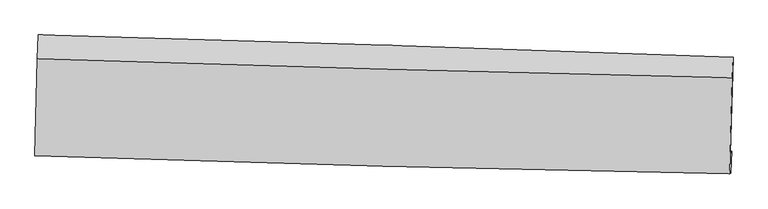
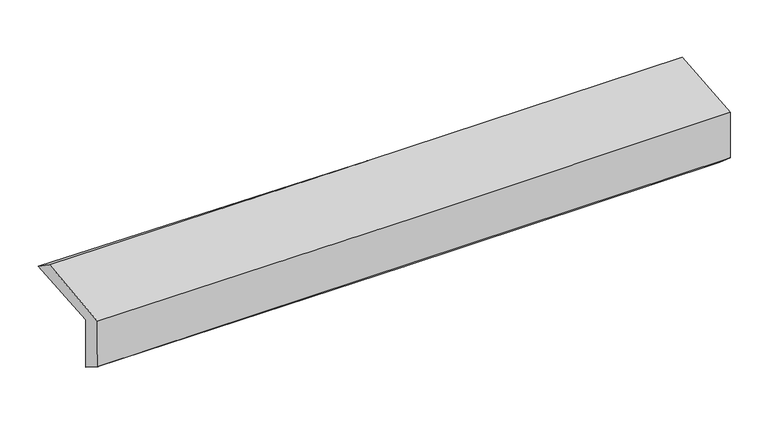
"""IFC4 building model written with IfcOpenShell, lengths in millimetres: proxy geometry."""

from ifc_helpers import new_model, si_unit, frame, origin, place, context, project, spatial, source, transform, mapped, element, save
from ifc_brep_helpers import plane_surface, spline_curve, spline_surface, advanced_brep


def generic_models_d9f898c4(model_context):
    return source(origin(), model_context, "Body", "AdvancedBrep", [
        advanced_brep(
        [(-2395.3528363, -1725.99093, 1995.8581718), (-2377.3079301, -1061.6037912, 2017.9836087), (2381.1545161, -1215.8435805, 2096.0137645), (2363.1978407, -1875.4567855, 2081.6021161), (-2388.128975, -1708.5873931, 1601.3691438), (2370.5142768, -1857.83022, 1682.0576581), (-2394.4646638, -1872.6624464, 1705.8831566), (2364.182809, -2007.90417, 1810.1661408), (-2401.4054522, -1889.3840113, 2084.9138062), (2357.6634511, -2014.1623089, 2181.4354433), (-2383.838056, -1226.6057954, 2132.3716395), (2375.1798898, -1354.3266018, 2221.959437)],
        [
            (0, 1),
            (1, 2, spline_curve(3, [(-2377.3079301, -1061.6037912, 2017.9836087), (-1580.612039203, -1083.01843052, 2021.533989238), (-784.062411353, -1106.642224822, 2029.858924172), (802.089302944, -1158.092254538, 2055.94843808), (1591.693823941, -1185.88172328, 2073.633555448), (2381.1545161, -1215.8435805, 2096.0137645)], [4, 2, 4], [0.0, 7.844087171718637, 15.622626504565874])),
            (2, 3),
            (3, 0, spline_curve(3, [(2363.1978407, -1875.4567855, 2081.6021161), (1573.722390837, -1847.87936821, 2055.370907536), (784.103169281, -1821.681618239, 2035.114778999), (-802.077956693, -1771.836316075, 2006.432338714), (-1598.642293956, -1748.212114574, 1998.107152648), (-2395.3528363, -1725.99093, 1995.8581718)], [4, 2, 4], [0.0, 7.778539332847237, 15.622626504565874])),
            (4, 0),
            (3, 5),
            (5, 4, spline_curve(3, [(2370.5142768, -1857.83022, 1682.0576581), (1581.114708533, -1830.069990988, 1651.682621292), (791.525936736, -1803.798881499, 1629.763643633), (-794.685278192, -1754.026069763, 1602.724357461), (-1591.310923979, -1730.549570513, 1597.747163897), (-2388.128975, -1708.5873931, 1601.3691438)], [4, 2, 4], [0.0, 7.778699600135377, 15.622948389675194])),
            (6, 4),
            (5, 7),
            (7, 6, spline_curve(3, [(2364.182809, -2007.90417, 1810.1661408), (1574.308818192, -1988.289700458, 1794.186635249), (784.481491204, -1967.265547649, 1777.545881455), (-801.735122913, -1922.20883133, 1742.796077827), (-1598.123619967, -1898.152409493, 1724.675836875), (-2394.4646638, -1872.6624464, 1705.8831566)], [4, 2, 4], [0.0, 7.778458722815757, 15.622464605221992])),
            (8, 6),
            (7, 9),
            (9, 8, spline_curve(3, [(2357.6634511, -2014.1623089, 2181.4354433), (1567.639650523, -1999.626213401, 2166.021277996), (777.702279303, -1982.016552012, 2150.305743275), (-808.655484635, -1940.475804715, 2118.136964812), (-1605.074414393, -1916.492700242, 2101.678620351), (-2401.4054522, -1889.3840113, 2084.9138062)], [4, 2, 4], [0.0, 7.778440771451543, 15.622428551221832])),
            (10, 8),
            (9, 11),
            (11, 10, spline_curve(3, [(2375.1798898, -1354.3266018, 2221.959437), (1585.164257133, -1337.866659433, 2210.039338868), (795.235197753, -1319.047883, 2196.65114913), (-791.105582627, -1276.51420308, 2166.81339664), (-1587.515838606, -1252.759377244, 2150.338987279), (-2383.838056, -1226.6057954, 2132.3716395)], [4, 2, 4], [0.0, 7.778355580379668, 15.62225745119386])),
            (1, 10),
            (11, 2),
        ],
        [
            spline_surface(3, 3, [[(-2395.3528363, -1725.99093, 1995.8581718), (-1598.642293861, -1748.212114454, 1998.107152588), (-802.077956571, -1771.836316131, 2006.432338804), (784.103169161, -1821.681618183, 2035.11477891), (1573.722390868, -1847.879368303, 2055.370907487), (2363.1978407, -1875.4567855, 2081.6021161)], [(-2389.337867572, -1504.52855041, 2003.233317438), (-1592.632209004, -1526.480886497, 2005.91609816), (-796.072774871, -1550.104952375, 2014.241200581), (790.098547111, -1600.485163651, 2042.059332015), (1579.712868546, -1627.213486651, 2061.458456778), (2369.183399141, -1655.585717155, 2086.405998906)], [(-2383.322898828, -1283.06617079, 2010.608463062), (-1586.622124133, -1304.749658509, 2013.725043719), (-790.067593146, -1328.373588574, 2022.050062303), (796.093925086, -1379.288709074, 2049.003885066), (1585.703346299, -1406.547605033, 2067.54600605), (2375.168957659, -1435.714648845, 2091.209881694)], [(-2377.3079301, -1061.6037912, 2017.9836087), (-1580.612039276, -1083.018430551, 2021.53398929), (-784.062411446, -1106.642224818, 2029.858924079), (802.089303036, -1158.092254542, 2055.948438172), (1591.693823977, -1185.881723381, 2073.633555341), (2381.1545161, -1215.8435805, 2096.0137645)]], [4, 4], [4, 2, 4], [0.0, 2.1817943321310413], [0.0, 7.844087171718637, 15.622626504565874]),
            spline_surface(3, 3, [[(-2388.128975, -1708.5873931, 1601.3691438), (-1591.310923851, -1730.549570395, 1597.747163806), (-794.685278266, -1754.026069834, 1602.724357468), (791.52593681, -1803.798881429, 1629.763643625), (1581.114708519, -1830.069990964, 1651.682621403), (2370.5142768, -1857.83022, 1682.0576581)], [(-2390.53692877, -1714.388572058, 1732.865486491), (-1593.754713857, -1736.437085073, 1731.200493424), (-797.149504357, -1759.962818589, 1737.29368456), (789.051680938, -1809.759793669, 1764.8806887), (1578.650602648, -1836.00645009, 1786.245383444), (2368.075464779, -1863.705741847, 1815.239144113)], [(-2392.94488253, -1720.189751042, 1864.361829109), (-1596.198503855, -1742.324599777, 1864.65382297), (-799.613730481, -1765.899567376, 1871.863011712), (786.577425032, -1815.720705943, 1899.997733835), (1576.18649674, -1841.942909177, 1920.808145446), (2365.636652721, -1869.581263653, 1948.420630087)], [(-2395.3528363, -1725.99093, 1995.8581718), (-1598.642293861, -1748.212114454, 1998.107152588), (-802.077956571, -1771.836316131, 2006.432338804), (784.103169161, -1821.681618183, 2035.11477891), (1573.722390868, -1847.879368303, 2055.370907487), (2363.1978407, -1875.4567855, 2081.6021161)]], [4, 4], [4, 2, 4], [0.0, 1.3286868427415914], [0.0, 7.844248789539817, 15.622948389675194]),
            spline_surface(3, 3, [[(-2394.4646638, -1872.6624464, 1705.8831566), (-1598.123620082, -1898.15240955, 1724.675836969), (-801.73512288, -1922.208831332, 1742.796077932), (784.481491172, -1967.265547647, 1777.545881351), (1574.30881819, -1988.289700416, 1794.186635139), (2364.182809, -2007.90417, 1810.1661408)], [(-2392.352767503, -1817.970761965, 1671.045152328), (-1595.852721308, -1842.284796497, 1682.366279243), (-799.385174671, -1866.147910852, 1696.105504456), (786.829639723, -1912.776658928, 1728.285135454), (1576.577448293, -1935.549797269, 1746.685297227), (2366.29329826, -1957.879520003, 1767.463313233)], [(-2390.240871297, -1763.279077535, 1636.207148072), (-1593.581822625, -1786.417183448, 1640.056721532), (-797.035226476, -1810.086990314, 1649.414930944), (789.177788259, -1858.287770148, 1679.024389522), (1578.846078417, -1882.809894111, 1699.183959315), (2368.40378754, -1907.854869997, 1724.760485667)], [(-2388.128975, -1708.5873931, 1601.3691438), (-1591.310923851, -1730.549570395, 1597.747163806), (-794.685278266, -1754.026069834, 1602.724357468), (791.52593681, -1803.798881429, 1629.763643625), (1581.114708519, -1830.069990964, 1651.682621403), (2370.5142768, -1857.83022, 1682.0576581)]], [4, 4], [4, 2, 4], [0.0, 0.7207366374229265], [0.0, 7.844005882406235, 15.622464605221992]),
            spline_surface(3, 3, [[(-2401.4054522, -1889.3840113, 2084.9138062), (-1605.074414383, -1916.492700318, 2101.678620424), (-808.6554846, -1940.475804742, 2118.136964799), (777.702279269, -1982.016551985, 2150.305743288), (1567.639650594, -1999.626213427, 2166.021277973), (2357.6634511, -2014.1623089, 2181.4354433)], [(-2399.091856088, -1883.810156331, 1958.570256312), (-1602.757482971, -1910.37927006, 1976.011025918), (-806.348697374, -1934.386813591, 1993.023335828), (779.962016556, -1977.099550525, 2026.052455961), (1569.862706465, -1995.847375746, 2042.076397012), (2359.836570406, -2012.076262589, 2057.679009117)], [(-2396.778259912, -1878.236301369, 1832.226706488), (-1600.440551494, -1904.265839808, 1850.343431475), (-804.041910107, -1928.297822482, 1867.909706903), (782.221753884, -1972.182549107, 1901.799168679), (1572.085762318, -1992.068538097, 1918.1315161), (2362.009689694, -2009.990216311, 1933.922574983)], [(-2394.4646638, -1872.6624464, 1705.8831566), (-1598.123620082, -1898.15240955, 1724.675836969), (-801.73512288, -1922.208831332, 1742.796077932), (784.481491172, -1967.265547647, 1777.545881351), (1574.30881819, -1988.289700416, 1794.186635139), (2364.182809, -2007.90417, 1810.1661408)]], [4, 4], [4, 2, 4], [0.0, 1.2286373389990468], [0.0, 7.843987779770289, 15.622428551221832]),
            spline_surface(3, 3, [[(-2383.838056, -1226.6057954, 2132.3716395), (-1587.515838626, -1252.759377373, 2150.338987151), (-791.10558268, -1276.514203039, 2166.813396671), (795.235197806, -1319.047883041, 2196.6511491), (1585.164257112, -1337.866659505, 2210.03933874), (2375.1798898, -1354.3266018, 2221.959437)], [(-2389.693854719, -1447.531867364, 2116.55236174), (-1593.368697198, -1474.003818353, 2134.118864915), (-796.955549957, -1497.834736959, 2150.587919393), (789.390891656, -1540.037439374, 2181.202680509), (1579.322721609, -1558.453177475, 2195.366651808), (2369.341076903, -1574.271837496, 2208.45143909)], [(-2395.549653481, -1668.457939336, 2100.73308396), (-1599.221555812, -1695.248259339, 2117.898742659), (-802.805517322, -1719.155270822, 2134.362442077), (783.546585419, -1761.026995651, 2165.754211879), (1573.481186097, -1779.039695457, 2180.693964905), (2363.502263997, -1794.217073204, 2194.94344121)], [(-2401.4054522, -1889.3840113, 2084.9138062), (-1605.074414383, -1916.492700318, 2101.678620424), (-808.6554846, -1940.475804742, 2118.136964799), (777.702279269, -1982.016551985, 2150.305743288), (1567.639650594, -1999.626213427, 2166.021277973), (2357.6634511, -2014.1623089, 2181.4354433)]], [4, 4], [4, 2, 4], [0.0, 2.183071403413019], [0.0, 7.843901870814192, 15.62225745119386]),
            spline_surface(3, 3, [[(-2377.3079301, -1061.6037912, 2017.9836087), (-1580.612039276, -1083.018430551, 2021.53398929), (-784.062411446, -1106.642224818, 2029.858924079), (802.089303036, -1158.092254542, 2055.948438172), (1591.693823977, -1185.881723381, 2073.633555341), (2381.1545161, -1215.8435805, 2096.0137645)], [(-2379.484638749, -1116.604459271, 2056.112952292), (-1582.913305741, -1139.598746163, 2064.468988569), (-786.410135214, -1163.26621753, 2075.510414935), (799.804601269, -1211.74413068, 2102.849341807), (1589.517301699, -1236.543368764, 2119.102149814), (2379.16297401, -1262.004587609, 2137.99565534)], [(-2381.661347351, -1171.605127329, 2094.242295908), (-1585.214572161, -1196.179061762, 2107.403987872), (-788.757858912, -1219.890210327, 2121.161905814), (797.519899573, -1265.396006903, 2149.750245465), (1587.34077939, -1287.205014121, 2164.570744266), (2377.17143189, -1308.165594691, 2179.97754616)], [(-2383.838056, -1226.6057954, 2132.3716395), (-1587.515838626, -1252.759377373, 2150.338987151), (-791.10558268, -1276.514203039, 2166.813396671), (795.235197806, -1319.047883041, 2196.6511491), (1585.164257112, -1337.866659505, 2210.03933874), (2375.1798898, -1354.3266018, 2221.959437)]], [4, 4], [4, 2, 4], [0.0, 0.7089289913623903], [0.0, 7.843759298473562, 15.62197349789518]),
            plane_surface(frame((2368.6487973, -1720.9206111, 2012.20576), z_axis=(0.9994735212628852, -0.02758200000348807, 0.017085478342045584), x_axis=(0.01755444761088384, 0.016851072357707848, -0.9997038975263985))),
            plane_surface(frame((-2390.0829856, -1580.8057279, 1923.0632544), z_axis=(-0.9994699538327139, 0.02771461585939008, -0.017079562447550094), x_axis=(-0.027135184269372732, -0.9990779254838174, -0.03327131776199052))),
        ],
        [
            (0, [[1, 2, 3, 4]]),
            (1, [[5, -4, 6, 7]]),
            (2, [[8, -7, 9, 10]]),
            (3, [[11, -10, 12, 13]]),
            (4, [[14, -13, 15, 16]]),
            (5, [[17, -16, 18, -2]]),
            (6, [[-12, -9, -6, -3, -18, -15]]),
            (7, [[-1, -5, -8, -11, -14, -17]]),
        ],
    ),
    ])


if __name__ == "__main__":
    model = new_model("IFC4")
    model_context = context("Model", 3, world=origin())
    ifc_project = project(units=[si_unit("LENGTHUNIT", "METRE", prefix="MILLI")], contexts=[model_context])
    site = spatial("IfcSite", under=ifc_project)
    building = spatial("IfcBuilding", under=site)
    placement = place(None, origin())
    generic_models_shape = generic_models_d9f898c4(model_context)
    element("IfcBuildingElementProxy", 1, Name="Generic Models", at=placement, inside=building, context=model_context, shape_type="MappedRepresentation", body=[
        mapped(generic_models_shape, transform((0.0, 0.0, 0.0), x_axis=(1.0, 0.0, 0.0), y_axis=(0.0, 1.0, 0.0), z_axis=(0.0, 0.0, 1.0))),
    ])
    save(model, "model.ifc")
